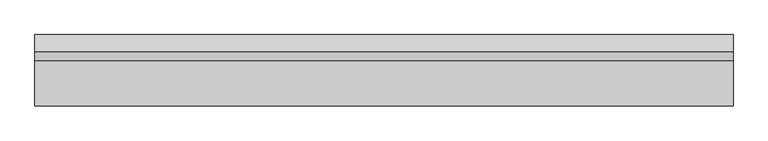
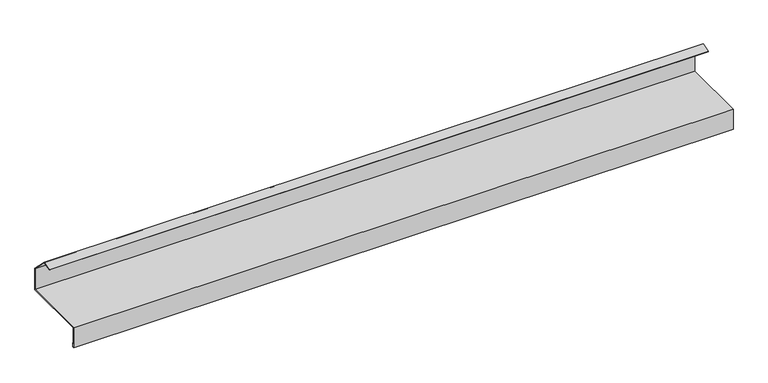
"""IFC4 building model written with IfcOpenShell, lengths in millimetres: proxy geometry."""

import ifcopenshell
import ifcopenshell.guid

model = None  # the IFC model being written
_history = None  # IfcOwnerHistory: only IFC2X3 demands one
_inside = {}  # id of a spatial element -> (the spatial element, [elements in it])
_under = {}  # id of a project, library or spatial element -> (it, [spatial elements below it])
_declared = {}  # id of a project -> (the project, [libraries it declares])
_typed = {}  # id of a type object -> (the type object, [elements of that type])
_made_of = {}  # id of a material, layer set ... -> (it, [elements and type objects made of it])


def new_model(schema):
    """Start an empty IFC model of exactly this schema.

    Asked for "IFC4X3", IfcOpenShell would pick the latest addendum, in which some entities
    have other attributes; the version numbers below select the first issue.
    IFC2X3 requires an IfcOwnerHistory on every rooted entity: one is made here for all.
    """
    global model, _history
    if schema == "IFC4X3":
        model = ifcopenshell.file(schema_version=(4, 3, 0, 0))
    else:
        model = ifcopenshell.file(schema=schema)
    _inside.clear()
    _under.clear()
    _declared.clear()
    _typed.clear()
    _made_of.clear()
    _history = None
    if model.schema == "IFC2X3":
        org = make("IfcOrganization", Name="unknown")
        user = make(
            "IfcPersonAndOrganization",
            ThePerson=make("IfcPerson", FamilyName="unknown"),
            TheOrganization=org,
        )
        app = make(
            "IfcApplication",
            ApplicationDeveloper=org,
            Version="unknown",
            ApplicationFullName="unknown",
            ApplicationIdentifier="unknown",
        )
        _history = make(
            "IfcOwnerHistory",
            OwningUser=user,
            OwningApplication=app,
            ChangeAction="ADDED",
            CreationDate=0,
        )
    return model


def make(cls, **values):
    """One entity of the class cls with the attributes given. An attribute that is None is left unset."""
    return model.create_entity(
        cls, **{name: value for name, value in values.items() if value is not None}
    )


def rooted(cls, **values):
    """An entity with a GlobalId (a new one), such as an element, a storey or a relation."""
    return make(cls, GlobalId=ifcopenshell.guid.new(), OwnerHistory=_history, **values)


def si_unit(unit_type, name, prefix=None):
    """IfcSIUnit, for example si_unit("LENGTHUNIT", "METRE", prefix="MILLI")."""
    return make("IfcSIUnit", UnitType=unit_type, Prefix=prefix, Name=name)


def assignment(units):
    """IfcUnitAssignment: the units of a project."""
    return None if units is None else make("IfcUnitAssignment", Units=units)


def point(xyz):
    """IfcCartesianPoint."""
    return None if xyz is None else make("IfcCartesianPoint", Coordinates=xyz)


def direction(xyz):
    """IfcDirection."""
    return None if xyz is None else make("IfcDirection", DirectionRatios=xyz)


def frame(location, z_axis=None, x_axis=None):
    """IfcAxis2Placement3D, a coordinate frame: its origin and axes. An axis left out is left unset."""
    return make(
        "IfcAxis2Placement3D",
        Location=point(location),
        Axis=direction(z_axis),
        RefDirection=direction(x_axis),
    )


def origin():
    """The frame at (0, 0, 0) with its axes left unset."""
    return frame((0.0, 0.0, 0.0))


def place(relative_to, where):
    """IfcLocalPlacement: puts the frame where relative to a parent placement (None: the world)."""
    return make(
        "IfcLocalPlacement", PlacementRelTo=relative_to, RelativePlacement=where
    )


def context(
    kind, dimensions, precision=None, world=None, true_north=None, identifier=None
):
    """IfcGeometricRepresentationContext, for example the 3D "Model" context."""
    return make(
        "IfcGeometricRepresentationContext",
        ContextIdentifier=identifier,
        ContextType=kind,
        CoordinateSpaceDimension=dimensions,
        Precision=precision,
        WorldCoordinateSystem=world,
        TrueNorth=true_north,
    )


def project(units=None, contexts=None):
    """IfcProject with its units and contexts."""
    return rooted(
        "IfcProject",
        Name="project",
        RepresentationContexts=contexts,
        UnitsInContext=assignment(units),
    )


def spatial(cls, under=None, at=None, **own):
    """A site, building, storey or space (cls), placed at a placement, below another one or the project."""
    s = rooted(cls, ObjectPlacement=at, **own)
    if under is not None:
        _under.setdefault(under.id(), (under, []))[1].append(s)
    return s


def faces_of(points, faces, orient=None, outer=None):
    """IfcFace entities. A face is a list of loops; a loop is a list of indices into points, from 0.

    orient and outer hold one flag for each loop. By default every Orientation is true, the
    first loop of a face is its IfcFaceOuterBound and the others are IfcFaceBound.
    """
    made = []
    for i, loops in enumerate(faces):
        bounds = []
        for j, loop in enumerate(loops):
            is_outer = j == 0 if outer is None else outer[i][j]
            bounds.append(
                make(
                    "IfcFaceOuterBound" if is_outer else "IfcFaceBound",
                    Bound=make("IfcPolyLoop", Polygon=[points[k] for k in loop]),
                    Orientation=True if orient is None else orient[i][j],
                )
            )
        made.append(make("IfcFace", Bounds=bounds))
    return made


def faceted_brep(points, faces, orient=None, outer=None, voids=None):
    """IfcFacetedBrep: a solid bounded by flat faces; with voids (closed shells), ...WithVoids."""
    shared = [point(p) for p in points]
    hull = make("IfcClosedShell", CfsFaces=faces_of(shared, faces, orient, outer))
    if voids is None:
        return make("IfcFacetedBrep", Outer=hull)
    return make(
        "IfcFacetedBrepWithVoids",
        Outer=hull,
        Voids=[
            make(cls, CfsFaces=faces_of(shared, fs, o, b)) for cls, fs, o, b in voids
        ],
    )


def shape(context_of_items, identifier, shape_type, items):
    """IfcShapeRepresentation: the items that make up one representation, for example the "Body"."""
    return make(
        "IfcShapeRepresentation",
        ContextOfItems=context_of_items,
        RepresentationIdentifier=identifier,
        RepresentationType=shape_type,
        Items=items,
    )


def source(mapping_origin, context_of_items, identifier, shape_type, items):
    """IfcRepresentationMap: a shape defined once, which mapped items show again and again."""
    return make(
        "IfcRepresentationMap",
        MappingOrigin=mapping_origin,
        MappedRepresentation=shape(context_of_items, identifier, shape_type, items),
    )


def transform(
    local_origin,
    x_axis=None,
    y_axis=None,
    z_axis=None,
    scale=None,
    scale2=None,
    scale3=None,
    uniform=True,
):
    """IfcCartesianTransformationOperator3D, or its non-uniform kind. x_axis, y_axis, z_axis: its Axis1, 2, 3."""
    if uniform:
        return make(
            "IfcCartesianTransformationOperator3D",
            Axis1=direction(x_axis),
            Axis2=direction(y_axis),
            LocalOrigin=point(local_origin),
            Scale=scale,
            Axis3=direction(z_axis),
        )
    return make(
        "IfcCartesianTransformationOperator3DnonUniform",
        Axis1=direction(x_axis),
        Axis2=direction(y_axis),
        LocalOrigin=point(local_origin),
        Scale=scale,
        Axis3=direction(z_axis),
        Scale2=scale2,
        Scale3=scale3,
    )


def mapped(mapping_source, mapping_target):
    """IfcMappedItem: shows the shape of a source again, moved by a transform."""
    return make(
        "IfcMappedItem", MappingSource=mapping_source, MappingTarget=mapping_target
    )


def made_of(thing, what):
    """Note that an element or type object is made of a material, layer set ...; save() writes the relation."""
    if what is not None:
        _made_of.setdefault(what.id(), (what, []))[1].append(thing)
    return thing


def element(
    cls,
    number,
    at=None,
    inside=None,
    cuts=None,
    type_object=None,
    material=None,
    context=None,
    identifier="Body",
    shape_type=None,
    held_by="IfcProductDefinitionShape",
    body=None,
    shapes=None,
    **own,
):
    """One element of the class cls, such as IfcWall. Its Tag is "e" and its number.

    at: its placement. inside: the storey or other place that contains it. cuts: it is an
    opening in that element (IfcRelVoidsElement). A single representation is given by context,
    identifier, shape_type and body (its items); several are given by shapes. held_by: the class
    of the entity that holds the representations. save() writes the other relations.
    """
    e = rooted(cls, Tag="e%d" % number, ObjectPlacement=at, **own)
    if body is not None:
        shapes = [shape(context, identifier, shape_type, body)]
    if shapes is not None:
        e.Representation = make(held_by, Representations=shapes)
    if inside is not None:
        _inside.setdefault(inside.id(), (inside, []))[1].append(e)
    if cuts is not None:
        rooted(
            "IfcRelVoidsElement", RelatingBuildingElement=cuts, RelatedOpeningElement=e
        )
    if type_object is not None:
        _typed.setdefault(type_object.id(), (type_object, []))[1].append(e)
    return made_of(e, material)


def aggregate(whole, parts):
    """IfcRelAggregates: a whole, such as a stair, and the parts it consists of."""
    return rooted("IfcRelAggregates", RelatingObject=whole, RelatedObjects=parts)


def save(model, path):
    """Write the relations noted so far, then the file.

    IfcRelAggregates (storeys below a building ...), IfcRelContainedInSpatialStructure (elements
    in a storey), IfcRelDefinesByType, IfcRelAssociatesMaterial and IfcRelDeclares: one each for
    every whole, place, type object, material and project.
    """
    for whole, parts in _under.values():
        aggregate(whole, parts)
    for where, things in _inside.values():
        rooted(
            "IfcRelContainedInSpatialStructure",
            RelatedElements=things,
            RelatingStructure=where,
        )
    for kind, things in _typed.values():
        rooted("IfcRelDefinesByType", RelatedObjects=things, RelatingType=kind)
    for what, things in _made_of.values():
        rooted("IfcRelAssociatesMaterial", RelatedObjects=things, RelatingMaterial=what)
    for by, libraries in _declared.values():
        rooted("IfcRelDeclares", RelatingContext=by, RelatedDefinitions=libraries)
    model.write(path)


def generic_models_6ede98bd(model_context):
    return source(origin(), model_context, "Body", "Brep", [
        faceted_brep([(0.0, -154.0, 0.0), (0.0, -155.0, 0.0), (0.0, -155.0, 3.0), (0.0, -3.0, 3.0), (0.0, -3.0, 53.0), (0.0, -38.3553391, 88.3553391), (0.0, -57.6738556, 83.1789582), (0.0, -57.9326746, 84.144884), (0.0, -38.0564806, 89.4706941), (0.0, -2.0, 53.4142136), (0.0, -2.0, 2.0), (0.0, -154.0, 2.0), (0.0, -154.0, -44.0), (0.0, -153.0, -44.0), (0.0, -153.0, -35.0), (0.0, -152.0, -35.0), (0.0, -152.0, -45.0), (0.0, -155.0, -45.0), (1500.0, -155.0, 0.0), (1500.0, -154.0, 0.0), (1500.0, -154.0, 2.0), (1500.0, -2.0, 2.0), (1500.0, -2.0, 53.4142136), (1500.0, -38.0564806, 89.4706941), (1500.0, -57.9326746, 84.144884), (1500.0, -57.6738556, 83.1789582), (1500.0, -38.3553391, 88.3553391), (1500.0, -3.0, 53.0), (1500.0, -3.0, 3.0), (1500.0, -155.0, 3.0), (1500.0, -155.0, -45.0), (1500.0, -152.0, -45.0), (1500.0, -152.0, -35.0), (1500.0, -153.0, -35.0), (1500.0, -153.0, -44.0), (1500.0, -154.0, -44.0)], [[[0, 1, 2, 3, 4, 5, 6, 7, 8, 9, 10, 11]], [[1, 0, 12, 13, 14, 15, 16, 17]], [[18, 19, 20, 21, 22, 23, 24, 25, 26, 27, 28, 29]], [[19, 18, 30, 31, 32, 33, 34, 35]], [[17, 16, 31, 30]], [[16, 15, 32, 31]], [[15, 14, 33, 32]], [[14, 13, 34, 33]], [[13, 12, 35, 34]], [[0, 11, 20, 19, 35, 12]], [[11, 10, 21, 20]], [[10, 9, 22, 21]], [[9, 8, 23, 22]], [[8, 7, 24, 23]], [[7, 6, 25, 24]], [[6, 5, 26, 25]], [[5, 4, 27, 26]], [[4, 3, 28, 27]], [[3, 2, 29, 28]], [[2, 1, 17, 30, 18, 29]]]),
    ])


if __name__ == "__main__":
    model = new_model("IFC4")
    model_context = context("Model", 3, world=origin())
    ifc_project = project(units=[si_unit("LENGTHUNIT", "METRE", prefix="MILLI")], contexts=[model_context])
    site = spatial("IfcSite", under=ifc_project)
    building = spatial("IfcBuilding", under=site)
    placement = place(None, origin())
    generic_models_shape = generic_models_6ede98bd(model_context)
    element("IfcBuildingElementProxy", 1, Name="Generic Models", at=placement, inside=building, context=model_context, shape_type="MappedRepresentation", body=[
        mapped(generic_models_shape, transform((0.0, 0.0, 0.0), x_axis=(1.0, 0.0, 0.0), y_axis=(0.0, 1.0, 0.0), z_axis=(0.0, 0.0, 1.0))),
    ])
    save(model, "model.ifc")
